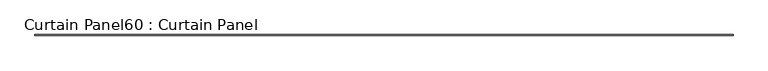
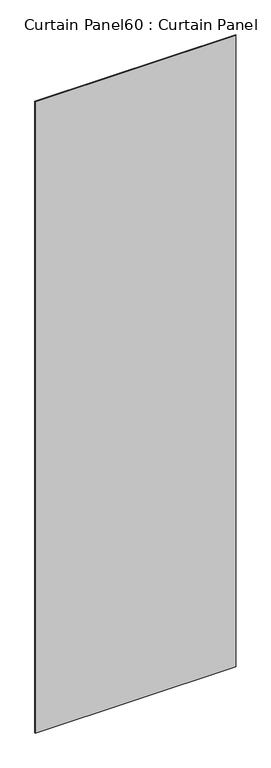
"""IFC4 building model written with IfcOpenShell, lengths in millimetres: plate geometry, Curtain Panel60 : Curtain Panel."""

from ifc_helpers import new_model, si_unit, frame, origin, place, context, project, spatial, polyline, outline, extrude, source, transform, mapped, element, save


def curtain_panel60_curtain_panel_ddb14dd4(model_context):
    return source(origin(), model_context, "Body", "SweptSolid", [
        extrude(outline(polyline([(92477.8704676, 7996.8334949), (87752.9955313, 7996.8334949), (87752.9955313, 8003.1834949), (92477.8704676, 8003.1834949), (92477.8704676, 7996.8334949)])), frame((0.0, 0.0, 1433.7679301), z_axis=(0.0, 0.0, 1.0), x_axis=(1.0, 0.0, 0.0)), (0.0, 0.0, 1.0), 15711.5380959),
    ])


if __name__ == "__main__":
    model = new_model("IFC4")
    model_context = context("Model", 3, world=origin())
    ifc_project = project(units=[si_unit("LENGTHUNIT", "METRE", prefix="MILLI")], contexts=[model_context])
    site = spatial("IfcSite", under=ifc_project)
    building = spatial("IfcBuilding", under=site)
    placement = place(None, origin())
    curtain_panel60_curtain_panel_shape = curtain_panel60_curtain_panel_ddb14dd4(model_context)
    element("IfcPlate", 1, ObjectType="Curtain Panel60 : Curtain Panel", at=placement, inside=building, context=model_context, shape_type="MappedRepresentation", body=[
        mapped(curtain_panel60_curtain_panel_shape, transform((0.0, 0.0, 0.0), x_axis=(1.0, 0.0, 0.0), y_axis=(0.0, 1.0, 0.0), z_axis=(0.0, 0.0, 1.0))),
    ])
    save(model, "model.ifc")
